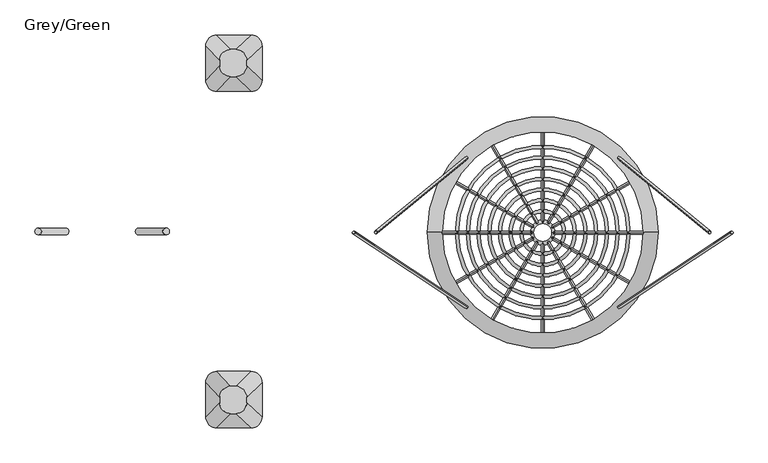
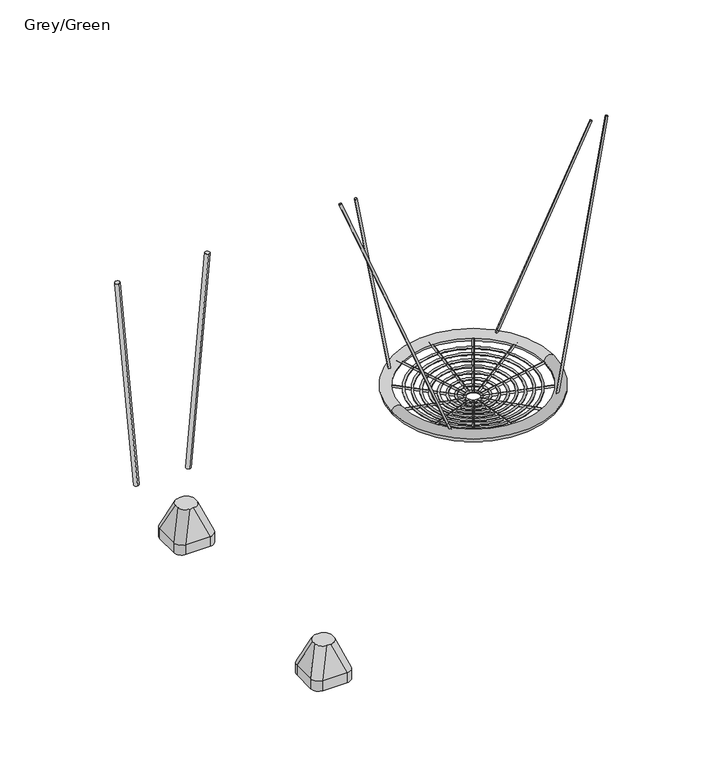
"""IFC4 building model written with IfcOpenShell, lengths in millimetres: furniture geometry, Grey/Green."""

from ifc_helpers import new_model, si_unit, point, frame, frame_2d, origin, place, context, project, spatial, circle_curve, ellipse_curve, trimmed, segment, composite_curve, outline, extrude, source, transform, mapped, element, save
from ifc_brep_helpers import plane_surface, cylinder_surface, revolved_surface, extruded_surface, advanced_brep


def grey_green_9095f52e(model_context):
    return source(origin(), model_context, "Body", "SolidModel", [
        advanced_brep(
        [(1275.0, -744.4374466, -604.0), (1455.0, -744.4374466, -604.0), (1515.0, -804.4374466, -604.0), (1515.0, -984.4374466, -604.0), (1455.0, -1044.4374466, -604.0), (1275.0, -1044.4374466, -604.0), (1215.0, -984.4374466, -604.0), (1215.0, -804.4374466, -604.0), (1275.0, -744.4374466, -526.0689494), (1455.0, -744.4374466, -526.0689494), (1515.0, -804.4374466, -526.0689494), (1515.0, -984.4374466, -526.0689494), (1455.0, -1044.4374466, -526.0689494), (1275.0, -1044.4374466, -526.0689494), (1215.0, -984.4374466, -526.0689494), (1215.0, -804.4374466, -526.0689494), (1373.9540451, -822.9885063, -316.0689494), (1348.9540451, -822.9885063, -316.0689494), (1288.9540451, -882.9885063, -316.0689494), (1288.9540451, -907.9885063, -316.0689494), (1348.9540451, -967.9885063, -316.0689494), (1373.9540451, -967.9885063, -316.0689494), (1433.9540451, -907.9885063, -316.0689494), (1433.9540451, -882.9885063, -316.0689494)],
        [
            (0, 1),
            (1, 2, circle_curve(frame((1455.0, -804.4374466, -604.0), z_axis=(0.0, 0.0, -1.0), x_axis=(-1.0, 0.0, 0.0)), 60.0)),
            (2, 3),
            (3, 4, circle_curve(frame((1455.0, -984.4374466, -604.0), z_axis=(0.0, 0.0, -1.0), x_axis=(-1.0, 0.0, 0.0)), 60.0)),
            (4, 5),
            (5, 6, circle_curve(frame((1275.0, -984.4374466, -604.0), z_axis=(0.0, 0.0, -1.0), x_axis=(-1.0, 0.0, 0.0)), 60.0)),
            (6, 7),
            (7, 0, circle_curve(frame((1275.0, -804.4374466, -604.0), z_axis=(0.0, 0.0, -1.0), x_axis=(-1.0, 0.0, 0.0)), 60.0)),
            (0, 8),
            (8, 9),
            (9, 1),
            (2, 10),
            (10, 11),
            (11, 3),
            (4, 12),
            (12, 13),
            (13, 5),
            (6, 14),
            (14, 15),
            (15, 7),
            (16, 17),
            (17, 18, circle_curve(frame((1348.9540451, -882.9885063, -316.0689494), z_axis=(0.0, 0.0, 1.0), x_axis=(-1.0, 0.0, 0.0)), 60.0)),
            (18, 19),
            (19, 20, circle_curve(frame((1348.9540451, -907.9885063, -316.0689494), z_axis=(0.0, 0.0, 1.0), x_axis=(-1.0, 0.0, 0.0)), 60.0)),
            (20, 21),
            (21, 22, circle_curve(frame((1373.9540451, -907.9885063, -316.0689494), z_axis=(0.0, 0.0, 1.0), x_axis=(-1.0, 0.0, 0.0)), 60.0)),
            (22, 23),
            (23, 16, circle_curve(frame((1373.9540451, -882.9885063, -316.0689494), z_axis=(0.0, 0.0, 1.0), x_axis=(-1.0, 0.0, 0.0)), 60.0)),
            (22, 11),
            (10, 23),
            (20, 13),
            (12, 21),
            (18, 15),
            (14, 19),
            (16, 9),
            (8, 17),
            (9, 10, circle_curve(frame((1455.0, -804.4374466, -526.0689494), z_axis=(0.0, 0.0, -1.0), x_axis=(-1.0, 0.0, 0.0)), 60.0)),
            (11, 12, circle_curve(frame((1455.0, -984.4374466, -526.0689494), z_axis=(0.0, 0.0, -1.0), x_axis=(-1.0, 0.0, 0.0)), 60.0)),
            (13, 14, circle_curve(frame((1275.0, -984.4374466, -526.0689494), z_axis=(0.0, 0.0, -1.0), x_axis=(-1.0, 0.0, 0.0)), 60.0)),
            (15, 8, circle_curve(frame((1275.0, -804.4374466, -526.0689494), z_axis=(0.0, 0.0, -1.0), x_axis=(-1.0, 0.0, 0.0)), 60.0)),
        ],
        [
            plane_surface(frame((1541.6329682, -744.4374466, -604.0), z_axis=(0.0, 0.0, -1.0), x_axis=(-1.0, 0.0, 0.0))),
            plane_surface(frame((1275.0, -744.4374466, -526.0689494), z_axis=(0.0, 1.0, 0.0), x_axis=(0.0, 0.0, -1.0))),
            plane_surface(frame((1515.0, -804.4374466, -526.0689494), z_axis=(1.0, 0.0, 0.0), x_axis=(0.0, 0.0, -1.0))),
            plane_surface(frame((1455.0, -1044.4374466, -526.0689494), z_axis=(0.0, -1.0, 0.0), x_axis=(0.0, 0.0, -1.0))),
            plane_surface(frame((1215.0, -984.4374466, -526.0689494), z_axis=(-1.0, 0.0, 0.0), x_axis=(0.0, 0.0, -1.0))),
            plane_surface(frame((1361.4540451, -895.4885063, -316.0689494), z_axis=(0.0, 0.0, 1.0), x_axis=(1.0, 0.0, 0.0))),
            plane_surface(frame((1515.0, -894.4374466, -526.0689494), z_axis=(0.9329330935587706, 0.0, 0.36004977842357055), x_axis=(0.0, -1.0, 0.0))),
            plane_surface(frame((1365.0, -1044.4374466, -526.0689494), z_axis=(0.0, -0.9396707723277333, 0.34208016550656856), x_axis=(-1.0, 0.0, 0.0))),
            plane_surface(frame((1215.0, -894.4374466, -526.0689494), z_axis=(-0.9432207285248213, 0.0, 0.33216661072586046), x_axis=(0.0, 1.0, 0.0))),
            plane_surface(frame((1365.0, -744.4374466, -526.0689494), z_axis=(0.0, 0.9366205672401335, 0.35034541958297477), x_axis=(1.0, 0.0, 0.0))),
            cylinder_surface(frame((1455.0, -804.4374466, -604.0), z_axis=(0.0, 0.0, 1.0), x_axis=(-1.0, 0.0, 0.0)), 60.0),
            cylinder_surface(frame((1455.0, -984.4374466, -604.0), z_axis=(0.0, 0.0, 1.0), x_axis=(-1.0, 0.0, 0.0)), 60.0),
            cylinder_surface(frame((1275.0, -984.4374466, -604.0), z_axis=(0.0, 0.0, 1.0), x_axis=(-1.0, 0.0, 0.0)), 60.0),
            cylinder_surface(frame((1275.0, -804.4374466, -604.0), z_axis=(0.0, 0.0, 1.0), x_axis=(-1.0, 0.0, 0.0)), 60.0),
            extruded_surface(trimmed(circle_curve(frame((1373.9540451, -882.9885063, -316.0689494), z_axis=(0.0, 0.0, -1.0), x_axis=(-1.0, 0.0, 0.0)), 60.0), [point((1373.9540451, -822.9885063, -316.0689494))], [point((1433.9540451, -882.9885063, -316.0689494))], True, "CARTESIAN"), (81.04595489999997, 78.5510597, -209.99999999999994), 238.40871583406042),
            extruded_surface(trimmed(circle_curve(frame((1348.9540451, -882.9885063, -316.0689494), z_axis=(0.0, 0.0, -1.0), x_axis=(-1.0, 0.0, 0.0)), 60.0), [point((1288.9540451, -882.9885063, -316.0689494))], [point((1348.9540451, -822.9885063, -316.0689494))], True, "CARTESIAN"), (-73.95404510000003, 78.5510597, -209.99999999999994), 236.0920790002193),
            extruded_surface(trimmed(circle_curve(frame((1373.9540451, -907.9885063, -316.0689494), z_axis=(0.0, 0.0, -1.0), x_axis=(-1.0, 0.0, 0.0)), 60.0), [point((1433.9540451, -907.9885063, -316.0689494))], [point((1373.9540451, -967.9885063, -316.0689494))], True, "CARTESIAN"), (81.04595489999997, -76.4489403, -209.99999999999994), 237.72439352882105),
            extruded_surface(trimmed(circle_curve(frame((1348.9540451, -907.9885063, -316.0689494), z_axis=(0.0, 0.0, -1.0), x_axis=(-1.0, 0.0, 0.0)), 60.0), [point((1348.9540451, -967.9885063, -316.0689494))], [point((1288.9540451, -907.9885063, -316.0689494))], True, "CARTESIAN"), (-73.95404510000003, -76.4489403, -209.99999999999994), 235.4010222145303),
        ],
        [
            (0, [[1, 2, 3, 4, 5, 6, 7, 8]]),
            (1, [[9, 10, 11, -1]]),
            (2, [[12, 13, 14, -3]]),
            (3, [[15, 16, 17, -5]]),
            (4, [[18, 19, 20, -7]]),
            (5, [[21, 22, 23, 24, 25, 26, 27, 28]]),
            (6, [[29, -13, 30, -27]]),
            (7, [[31, -16, 32, -25]]),
            (8, [[33, -19, 34, -23]]),
            (9, [[35, -10, 36, -21]]),
            (10, [[-11, 37, -12, -2]]),
            (11, [[-14, 38, -15, -4]]),
            (12, [[-17, 39, -18, -6]]),
            (13, [[-20, 40, -9, -8]]),
            (14, [[-30, -37, -35, -28]]),
            (15, [[-36, -40, -33, -22]]),
            (16, [[-32, -38, -29, -26]]),
            (17, [[-34, -39, -31, -24]]),
        ],
    ),
        extrude(outline(composite_curve([segment(trimmed(circle_curve(frame_2d((0.0, -8.0)), 8.0), [point((0.0, -16.0000001))], [point((0.0, 0.0))], False, "CARTESIAN"), True, "CONTINUOUS"), segment(trimmed(circle_curve(frame_2d((0.0, -8.0)), 8.0), [point((0.0, 0.0))], [point((0.0, -16.0000001))], False, "CARTESIAN"), True, "CONTINUOUS")], self_intersect=False)), frame((3414.7422445, 394.1498449, 611.5111416), z_axis=(0.2584020941085009, -0.211804995170902, 0.9425322285105141), x_axis=(-0.05600141735473467, -0.9773119481622305, -0.20426746494145032)), (0.0, 0.0, 1.0), 1883.5295867),
        extrude(outline(composite_curve([segment(trimmed(circle_curve(frame_2d((0.0, -8.0)), 8.0), [point((0.0, -16.0000001))], [point((0.0, 0.0))], False, "CARTESIAN"), True, "CONTINUOUS"), segment(trimmed(circle_curve(frame_2d((0.0, -8.0)), 8.0), [point((0.0, 0.0))], [point((0.0, -16.0000001))], False, "CARTESIAN"), True, "CONTINUOUS")], self_intersect=False)), frame((3414.6090341, -405.7062822, 611.049837), z_axis=(0.3152303539748724, 0.2080728409075072, 0.9259241420384049), x_axis=(0.06705856372205599, -0.9781133333498113, 0.19697069872155026)), (0.0, 0.0, 1.0), 1917.4037037),
        extrude(outline(composite_curve([segment(trimmed(circle_curve(frame_2d((0.0, -8.0)), 8.0), [point((0.0, -16.0000001))], [point((0.0, 0.0))], False, "CARTESIAN"), True, "CONTINUOUS"), segment(trimmed(circle_curve(frame_2d((0.0, -8.0)), 8.0), [point((0.0, 0.0))], [point((0.0, -16.0000001))], False, "CARTESIAN"), True, "CONTINUOUS")], self_intersect=False)), frame((2599.2577555, 394.1498449, 611.5111416), z_axis=(-0.25840209410850096, -0.21180499517090198, 0.942532228510514), x_axis=(-0.05600141735473466, 0.9773119481622304, 0.20426746494145032)), (0.0, 0.0, 1.0), 1883.5295867),
        extrude(outline(composite_curve([segment(trimmed(circle_curve(frame_2d((0.0, -8.0)), 8.0), [point((0.0, -16.0000001))], [point((0.0, 0.0))], False, "CARTESIAN"), True, "CONTINUOUS"), segment(trimmed(circle_curve(frame_2d((0.0, -8.0)), 8.0), [point((0.0, 0.0))], [point((0.0, -16.0000001))], False, "CARTESIAN"), True, "CONTINUOUS")], self_intersect=False)), frame((2599.3909659, -405.7062822, 611.049837), z_axis=(-0.3152303539748724, 0.20807284090750716, 0.9259241420384049), x_axis=(0.06705856372205597, 0.9781133333498113, -0.19697069872155024)), (0.0, 0.0, 1.0), 1917.4037037),
        advanced_brep(
        [(3542.0, -5.7567737, 593.5648611), (2472.0, -5.7567737, 593.5648611), (2392.0, -5.7567737, 593.5648611), (3622.0, -5.7567737, 593.5648611)],
        [
            (0, 1, circle_curve(frame((3007.0, -5.7567737, 593.5648611), z_axis=(0.0, 0.0, -1.0), x_axis=(-1.0, 0.0, 0.0)), 535.0)),
            (1, 2, circle_curve(frame((2432.0, -5.7567737, 593.5648611), z_axis=(0.0, -1.0, 0.0), x_axis=(1.0, 0.0, 0.0)), 40.0)),
            (2, 3, circle_curve(frame((3007.0, -5.7567737, 593.5648611), z_axis=(0.0, 0.0, 1.0), x_axis=(-1.0, 0.0, 0.0)), 615.0)),
            (3, 0, circle_curve(frame((3582.0, -5.7567737, 593.5648611), z_axis=(0.0, -1.0, 0.0), x_axis=(-1.0, 0.0, 0.0)), 40.0)),
            (2, 1, circle_curve(frame((2432.0, -5.7567737, 593.5648611), z_axis=(0.0, -1.0, 0.0), x_axis=(1.0, 0.0, 0.0)), 40.0)),
            (0, 3, circle_curve(frame((3582.0, -5.7567737, 593.5648611), z_axis=(0.0, -1.0, 0.0), x_axis=(-1.0, 0.0, 0.0)), 40.0)),
            (1, 0, circle_curve(frame((3007.0, -5.7567737, 593.5648611), z_axis=(0.0, 0.0, -1.0), x_axis=(1.0, 0.0, 0.0)), 535.0)),
            (3, 2, circle_curve(frame((3007.0, -5.7567737, 593.5648611), z_axis=(0.0, 0.0, 1.0), x_axis=(1.0, 0.0, 0.0)), 615.0)),
        ],
        [
            revolved_surface(trimmed(ellipse_curve(frame((2432.0, -5.7567737, 593.5648611), z_axis=(0.0, 1.0, 0.0), x_axis=(1.0, 0.0, 0.0)), 40.0, 40.0), [point((2392.0, -5.7567737, 593.5648611))], [point((2472.0, -5.7567737, 593.5648611))], True, "CARTESIAN"), (3007.0, -5.7567737, 1.0), (0.0, 0.0, 1.0)),
            revolved_surface(trimmed(ellipse_curve(frame((2432.0, -5.7567737, 593.5648611), z_axis=(0.0, 1.0, 0.0), x_axis=(1.0, 0.0, 0.0)), 40.0, 40.0), [point((2472.0, -5.7567737, 593.5648611))], [point((2392.0, -5.7567737, 593.5648611))], True, "CARTESIAN"), (3007.0, -5.7567737, 1.0), (0.0, 0.0, 1.0)),
            revolved_surface(trimmed(ellipse_curve(frame((3582.0, -5.7567737, 593.5648611), z_axis=(0.0, -1.0, 0.0), x_axis=(-1.0, 0.0, 0.0)), 40.0, 40.0), [point((3622.0, -5.7567737, 593.5648611))], [point((3542.0, -5.7567737, 593.5648611))], True, "CARTESIAN"), (3007.0, -5.7567737, 1.0), (0.0, 0.0, 1.0)),
            revolved_surface(trimmed(ellipse_curve(frame((3582.0, -5.7567737, 593.5648611), z_axis=(0.0, -1.0, 0.0), x_axis=(-1.0, 0.0, 0.0)), 40.0, 40.0), [point((3542.0, -5.7567737, 593.5648611))], [point((3622.0, -5.7567737, 593.5648611))], True, "CARTESIAN"), (3007.0, -5.7567737, 1.0), (0.0, 0.0, 1.0)),
        ],
        [
            (0, [[1, 2, 3, 4]]),
            (1, [[-3, 5, -1, 6]]),
            (2, [[7, -4, 8, -2]]),
            (3, [[-8, -6, -7, -5]]),
        ],
    ),
        extrude(outline(composite_curve([segment(trimmed(circle_curve(frame_2d((0.0, -8.0000001)), 8.0), [point((0.0, -16.0))], [point((0.0, 0.0))], False, "CARTESIAN"), True, "CONTINUOUS"), segment(trimmed(circle_curve(frame_2d((0.0, -8.0000001)), 8.0), [point((0.0, 0.0))], [point((0.0, -16.0))], False, "CARTESIAN"), True, "CONTINUOUS")], self_intersect=False)), frame((2958.6945278, -33.6501141, 511.3143934), z_axis=(-0.8532184077808869, -0.4926058774098319, 0.17134117475124827), x_axis=(0.49999999999999467, -0.8660254037844417, 0.0)), (0.0, 0.0, 1.0), 525.6770169),
        extrude(outline(composite_curve([segment(trimmed(circle_curve(frame_2d((0.0, -8.0000001)), 8.0), [point((0.0, -16.0))], [point((0.0, 0.0))], False, "CARTESIAN"), True, "CONTINUOUS"), segment(trimmed(circle_curve(frame_2d((0.0, -8.0000001)), 8.0), [point((0.0, 0.0))], [point((0.0, -16.0))], False, "CARTESIAN"), True, "CONTINUOUS")], self_intersect=False)), frame((3055.2360089, 22.088136, 511.4528529), z_axis=(0.8532184077808838, 0.4926058774098376, 0.17134117475124827), x_axis=(-0.5000000000000003, 0.8660254037844385, 0.0)), (0.0, 0.0, 1.0), 525.6770169),
        extrude(outline(composite_curve([segment(trimmed(circle_curve(frame_2d((0.0, -8.0000001)), 8.0), [point((0.0, -16.0))], [point((0.0, 0.0))], False, "CARTESIAN"), True, "CONTINUOUS"), segment(trimmed(circle_curve(frame_2d((0.0, -8.0000001)), 8.0), [point((0.0, 0.0))], [point((0.0, -16.0))], False, "CARTESIAN"), True, "CONTINUOUS")], self_intersect=False)), frame((2979.0961433, -54.0517296, 511.3143934), z_axis=(-0.492605877409843, -0.8532184077808806, 0.1713411747512483), x_axis=(0.8660254037844353, -0.5000000000000059, 0.0)), (0.0, 0.0, 1.0), 525.6770169),
        extrude(outline(composite_curve([segment(trimmed(circle_curve(frame_2d((0.0, -8.0000001)), 8.0), [point((0.0, -16.0))], [point((0.0, 0.0))], False, "CARTESIAN"), True, "CONTINUOUS"), segment(trimmed(circle_curve(frame_2d((0.0, -8.0000001)), 8.0), [point((0.0, 0.0))], [point((0.0, -16.0))], False, "CARTESIAN"), True, "CONTINUOUS")], self_intersect=False)), frame((3034.8343934, 42.4897515, 511.4528529), z_axis=(0.4926058774098375, 0.8532184077808838, 0.1713411747512483), x_axis=(-0.8660254037844385, 0.5000000000000003, 0.0)), (0.0, 0.0, 1.0), 525.6770169),
        extrude(outline(composite_curve([segment(trimmed(circle_curve(frame_2d((0.0, -8.0000001)), 8.0), [point((0.0, -16.0))], [point((0.0, 0.0))], False, "CARTESIAN"), True, "CONTINUOUS"), segment(trimmed(circle_curve(frame_2d((0.0, -8.0000001)), 8.0), [point((0.0, 0.0))], [point((0.0, -16.0))], False, "CARTESIAN"), True, "CONTINUOUS")], self_intersect=False)), frame((2979.0961433, 42.4897515, 511.3143934), z_axis=(-0.49260587740982914, 0.8532184077808888, 0.17134117475124835), x_axis=(-0.8660254037844434, -0.49999999999999173, 0.0)), (0.0, 0.0, 1.0), 525.6770169),
        extrude(outline(composite_curve([segment(trimmed(circle_curve(frame_2d((0.0, -8.0000001)), 8.0), [point((0.0, -16.0))], [point((0.0, 0.0))], False, "CARTESIAN"), True, "CONTINUOUS"), segment(trimmed(circle_curve(frame_2d((0.0, -8.0000001)), 8.0), [point((0.0, 0.0))], [point((0.0, -16.0))], False, "CARTESIAN"), True, "CONTINUOUS")], self_intersect=False)), frame((3034.8343934, -54.0517296, 511.4528529), z_axis=(0.49260587740983475, -0.8532184077808853, 0.17134117475124838), x_axis=(0.8660254037844402, 0.4999999999999975, 0.0)), (0.0, 0.0, 1.0), 525.6770169),
        extrude(outline(composite_curve([segment(trimmed(circle_curve(frame_2d((0.0, -8.0000001)), 8.0), [point((0.0, -16.0))], [point((0.0, 0.0))], False, "CARTESIAN"), True, "CONTINUOUS"), segment(trimmed(circle_curve(frame_2d((0.0, -8.0000001)), 8.0), [point((0.0, 0.0))], [point((0.0, -16.0))], False, "CARTESIAN"), True, "CONTINUOUS")], self_intersect=False)), frame((2958.6945278, 22.088136, 511.3143934), z_axis=(-0.8532184077808784, 0.4926058774098467, 0.17134117475124833), x_axis=(-0.5000000000000097, -0.8660254037844332, 0.0)), (0.0, 0.0, 1.0), 525.6770169),
        extrude(outline(composite_curve([segment(trimmed(circle_curve(frame_2d((0.0, -8.0000001)), 8.0), [point((0.0, -16.0))], [point((0.0, 0.0))], False, "CARTESIAN"), True, "CONTINUOUS"), segment(trimmed(circle_curve(frame_2d((0.0, -8.0000001)), 8.0), [point((0.0, 0.0))], [point((0.0, -16.0))], False, "CARTESIAN"), True, "CONTINUOUS")], self_intersect=False)), frame((3055.2360089, -33.6501141, 511.4528529), z_axis=(0.8532184077808816, -0.49260587740984113, 0.17134117475124833), x_axis=(0.500000000000004, 0.8660254037844364, 0.0)), (0.0, 0.0, 1.0), 525.6770169),
        extrude(outline(composite_curve([segment(trimmed(circle_curve(frame_2d((0.0, -8.0000001)), 8.0), [point((0.0, -16.0))], [point((0.0, 0.0))], False, "CARTESIAN"), True, "CONTINUOUS"), segment(trimmed(circle_curve(frame_2d((0.0, -8.0000001)), 8.0), [point((0.0, 0.0))], [point((0.0, -16.0))], False, "CARTESIAN"), True, "CONTINUOUS")], self_intersect=False)), frame((2951.2270182, -5.7809891, 511.3143934), z_axis=(-0.9852117548196744, 0.0, 0.1713411747512483), x_axis=(0.0, -1.0, 0.0)), (0.0, 0.0, 1.0), 525.6770169),
        extrude(outline(composite_curve([segment(trimmed(circle_curve(frame_2d((0.0, -8.0000001)), 8.0), [point((0.0, -16.0))], [point((0.0, 0.0))], False, "CARTESIAN"), True, "CONTINUOUS"), segment(trimmed(circle_curve(frame_2d((0.0, -8.0000001)), 8.0), [point((0.0, 0.0))], [point((0.0, -16.0))], False, "CARTESIAN"), True, "CONTINUOUS")], self_intersect=False)), frame((3062.7035184, -5.7809891, 511.4528529), z_axis=(0.9852117548196744, 0.0, 0.1713411747512483), x_axis=(0.0, 1.0, 0.0)), (0.0, 0.0, 1.0), 525.6770169),
        extrude(outline(composite_curve([segment(trimmed(circle_curve(frame_2d((0.0, -8.0000001)), 8.0), [point((0.0, -16.0))], [point((0.0, 0.0))], False, "CARTESIAN"), True, "CONTINUOUS"), segment(trimmed(circle_curve(frame_2d((0.0, -8.0000001)), 8.0), [point((0.0, 0.0))], [point((0.0, -16.0))], False, "CARTESIAN"), True, "CONTINUOUS")], self_intersect=False)), frame((3006.9652683, -61.5192392, 511.3143934), z_axis=(0.0, -0.9852117548196744, 0.17134117475124827), x_axis=(1.0, 0.0, 0.0)), (0.0, 0.0, 1.0), 525.6770169),
        extrude(outline(composite_curve([segment(trimmed(circle_curve(frame_2d((0.0, -8.0000001)), 8.0), [point((0.0, -16.0))], [point((0.0, 0.0))], False, "CARTESIAN"), True, "CONTINUOUS"), segment(trimmed(circle_curve(frame_2d((0.0, -8.0000001)), 8.0), [point((0.0, 0.0))], [point((0.0, -16.0))], False, "CARTESIAN"), True, "CONTINUOUS")], self_intersect=False)), frame((3006.9652683, 49.957261, 511.4528529), z_axis=(0.0, 0.9852117548196744, 0.1713411747512483), x_axis=(-1.0, 0.0, 0.0)), (0.0, 0.0, 1.0), 525.6770169),
        advanced_brep(
        [(3455.7364652, -5.7567737, 573.090214), (2558.2635348, -5.7567737, 573.090214), (2542.2635348, -5.7567737, 573.090214), (3471.7364652, -5.7567737, 573.090214)],
        [
            (0, 1, circle_curve(frame((3007.0, -5.7567737, 573.090214), z_axis=(0.0, 0.0, -1.0), x_axis=(-1.0, 0.0, 0.0)), 448.7364652)),
            (1, 2, circle_curve(frame((2550.2635348, -5.7567737, 573.090214), z_axis=(0.0, -1.0, 0.0), x_axis=(1.0, 0.0, 0.0)), 8.0)),
            (2, 3, circle_curve(frame((3007.0, -5.7567737, 573.090214), z_axis=(0.0, 0.0, 1.0), x_axis=(-1.0, 0.0, 0.0)), 464.7364652)),
            (3, 0, circle_curve(frame((3463.7364652, -5.7567737, 573.090214), z_axis=(0.0, -1.0, 0.0), x_axis=(-1.0, 0.0, 0.0)), 8.0)),
            (2, 1, circle_curve(frame((2550.2635348, -5.7567737, 573.090214), z_axis=(0.0, -1.0, 0.0), x_axis=(1.0, 0.0, 0.0)), 8.0)),
            (0, 3, circle_curve(frame((3463.7364652, -5.7567737, 573.090214), z_axis=(0.0, -1.0, 0.0), x_axis=(-1.0, 0.0, 0.0)), 8.0)),
            (1, 0, circle_curve(frame((3007.0, -5.7567737, 573.090214), z_axis=(0.0, 0.0, -1.0), x_axis=(1.0, 0.0, 0.0)), 448.7364652)),
            (3, 2, circle_curve(frame((3007.0, -5.7567737, 573.090214), z_axis=(0.0, 0.0, 1.0), x_axis=(1.0, 0.0, 0.0)), 464.7364652)),
        ],
        [
            revolved_surface(trimmed(ellipse_curve(frame((2550.2635348, -5.7567737, 573.090214), z_axis=(0.0, 1.0, 0.0), x_axis=(1.0, 0.0, 0.0)), 8.0, 8.0), [point((2542.2635348, -5.7567737, 573.090214))], [point((2558.2635348, -5.7567737, 573.090214))], True, "CARTESIAN"), (3007.0, -5.7567737, 1.0), (0.0, 0.0, 1.0)),
            revolved_surface(trimmed(ellipse_curve(frame((2550.2635348, -5.7567737, 573.090214), z_axis=(0.0, 1.0, 0.0), x_axis=(1.0, 0.0, 0.0)), 8.0, 8.0), [point((2558.2635348, -5.7567737, 573.090214))], [point((2542.2635348, -5.7567737, 573.090214))], True, "CARTESIAN"), (3007.0, -5.7567737, 1.0), (0.0, 0.0, 1.0)),
            revolved_surface(trimmed(ellipse_curve(frame((3463.7364652, -5.7567737, 573.090214), z_axis=(0.0, -1.0, 0.0), x_axis=(-1.0, 0.0, 0.0)), 8.0, 8.0), [point((3471.7364652, -5.7567737, 573.090214))], [point((3455.7364652, -5.7567737, 573.090214))], True, "CARTESIAN"), (3007.0, -5.7567737, 1.0), (0.0, 0.0, 1.0)),
            revolved_surface(trimmed(ellipse_curve(frame((3463.7364652, -5.7567737, 573.090214), z_axis=(0.0, -1.0, 0.0), x_axis=(-1.0, 0.0, 0.0)), 8.0, 8.0), [point((3455.7364652, -5.7567737, 573.090214))], [point((3471.7364652, -5.7567737, 573.090214))], True, "CARTESIAN"), (3007.0, -5.7567737, 1.0), (0.0, 0.0, 1.0)),
        ],
        [
            (0, [[1, 2, 3, 4]]),
            (1, [[-3, 5, -1, 6]]),
            (2, [[7, -4, 8, -2]]),
            (3, [[-8, -6, -7, -5]]),
        ],
    ),
        advanced_brep(
        [(3398.6928848, -5.7567737, 563.0714642), (2615.3071152, -5.7567737, 563.0714642), (2599.3071152, -5.7567737, 563.0714642), (3414.6928848, -5.7567737, 563.0714642)],
        [
            (0, 1, circle_curve(frame((3007.0, -5.7567737, 563.0714642), z_axis=(0.0, 0.0, -1.0), x_axis=(-1.0, 0.0, 0.0)), 391.6928848)),
            (1, 2, circle_curve(frame((2607.3071152, -5.7567737, 563.0714642), z_axis=(0.0, -1.0, 0.0), x_axis=(1.0, 0.0, 0.0)), 8.0)),
            (2, 3, circle_curve(frame((3007.0, -5.7567737, 563.0714642), z_axis=(0.0, 0.0, 1.0), x_axis=(-1.0, 0.0, 0.0)), 407.6928848)),
            (3, 0, circle_curve(frame((3406.6928848, -5.7567737, 563.0714642), z_axis=(0.0, -1.0, 0.0), x_axis=(-1.0, 0.0, 0.0)), 8.0)),
            (2, 1, circle_curve(frame((2607.3071152, -5.7567737, 563.0714642), z_axis=(0.0, -1.0, 0.0), x_axis=(1.0, 0.0, 0.0)), 8.0)),
            (0, 3, circle_curve(frame((3406.6928848, -5.7567737, 563.0714642), z_axis=(0.0, -1.0, 0.0), x_axis=(-1.0, 0.0, 0.0)), 8.0)),
            (1, 0, circle_curve(frame((3007.0, -5.7567737, 563.0714642), z_axis=(0.0, 0.0, -1.0), x_axis=(1.0, 0.0, 0.0)), 391.6928848)),
            (3, 2, circle_curve(frame((3007.0, -5.7567737, 563.0714642), z_axis=(0.0, 0.0, 1.0), x_axis=(1.0, 0.0, 0.0)), 407.6928848)),
        ],
        [
            revolved_surface(trimmed(ellipse_curve(frame((2607.3071152, -5.7567737, 563.0714642), z_axis=(0.0, 1.0, 0.0), x_axis=(1.0, 0.0, 0.0)), 8.0, 8.0), [point((2599.3071152, -5.7567737, 563.0714642))], [point((2615.3071152, -5.7567737, 563.0714642))], True, "CARTESIAN"), (3007.0, -5.7567737, 1.0), (0.0, 0.0, 1.0)),
            revolved_surface(trimmed(ellipse_curve(frame((2607.3071152, -5.7567737, 563.0714642), z_axis=(0.0, 1.0, 0.0), x_axis=(1.0, 0.0, 0.0)), 8.0, 8.0), [point((2615.3071152, -5.7567737, 563.0714642))], [point((2599.3071152, -5.7567737, 563.0714642))], True, "CARTESIAN"), (3007.0, -5.7567737, 1.0), (0.0, 0.0, 1.0)),
            revolved_surface(trimmed(ellipse_curve(frame((3406.6928848, -5.7567737, 563.0714642), z_axis=(0.0, -1.0, 0.0), x_axis=(-1.0, 0.0, 0.0)), 8.0, 8.0), [point((3414.6928848, -5.7567737, 563.0714642))], [point((3398.6928848, -5.7567737, 563.0714642))], True, "CARTESIAN"), (3007.0, -5.7567737, 1.0), (0.0, 0.0, 1.0)),
            revolved_surface(trimmed(ellipse_curve(frame((3406.6928848, -5.7567737, 563.0714642), z_axis=(0.0, -1.0, 0.0), x_axis=(-1.0, 0.0, 0.0)), 8.0, 8.0), [point((3398.6928848, -5.7567737, 563.0714642))], [point((3414.6928848, -5.7567737, 563.0714642))], True, "CARTESIAN"), (3007.0, -5.7567737, 1.0), (0.0, 0.0, 1.0)),
        ],
        [
            (0, [[1, 2, 3, 4]]),
            (1, [[-3, 5, -1, 6]]),
            (2, [[7, -4, 8, -2]]),
            (3, [[-8, -6, -7, -5]]),
        ],
    ),
        advanced_brep(
        [(3341.6014773, -5.7567737, 553.2139496), (2672.3985227, -5.7567737, 553.2139496), (2656.3985227, -5.7567737, 553.2139496), (3357.6014773, -5.7567737, 553.2139496)],
        [
            (0, 1, circle_curve(frame((3007.0, -5.7567737, 553.2139496), z_axis=(0.0, 0.0, -1.0), x_axis=(-1.0, 0.0, 0.0)), 334.6014773)),
            (1, 2, circle_curve(frame((2664.3985227, -5.7567737, 553.2139496), z_axis=(0.0, -1.0, 0.0), x_axis=(1.0, 0.0, 0.0)), 8.0)),
            (2, 3, circle_curve(frame((3007.0, -5.7567737, 553.2139496), z_axis=(0.0, 0.0, 1.0), x_axis=(-1.0, 0.0, 0.0)), 350.6014773)),
            (3, 0, circle_curve(frame((3349.6014773, -5.7567737, 553.2139496), z_axis=(0.0, -1.0, 0.0), x_axis=(-1.0, 0.0, 0.0)), 8.0)),
            (2, 1, circle_curve(frame((2664.3985227, -5.7567737, 553.2139496), z_axis=(0.0, -1.0, 0.0), x_axis=(1.0, 0.0, 0.0)), 8.0)),
            (0, 3, circle_curve(frame((3349.6014773, -5.7567737, 553.2139496), z_axis=(0.0, -1.0, 0.0), x_axis=(-1.0, 0.0, 0.0)), 8.0)),
            (1, 0, circle_curve(frame((3007.0, -5.7567737, 553.2139496), z_axis=(0.0, 0.0, -1.0), x_axis=(1.0, 0.0, 0.0)), 334.6014773)),
            (3, 2, circle_curve(frame((3007.0, -5.7567737, 553.2139496), z_axis=(0.0, 0.0, 1.0), x_axis=(1.0, 0.0, 0.0)), 350.6014773)),
        ],
        [
            revolved_surface(trimmed(ellipse_curve(frame((2664.3985227, -5.7567737, 553.2139496), z_axis=(0.0, 1.0, 0.0), x_axis=(1.0, 0.0, 0.0)), 8.0, 8.0), [point((2656.3985227, -5.7567737, 553.2139496))], [point((2672.3985227, -5.7567737, 553.2139496))], True, "CARTESIAN"), (3007.0, -5.7567737, 1.0), (0.0, 0.0, 1.0)),
            revolved_surface(trimmed(ellipse_curve(frame((2664.3985227, -5.7567737, 553.2139496), z_axis=(0.0, 1.0, 0.0), x_axis=(1.0, 0.0, 0.0)), 8.0, 8.0), [point((2672.3985227, -5.7567737, 553.2139496))], [point((2656.3985227, -5.7567737, 553.2139496))], True, "CARTESIAN"), (3007.0, -5.7567737, 1.0), (0.0, 0.0, 1.0)),
            revolved_surface(trimmed(ellipse_curve(frame((3349.6014773, -5.7567737, 553.2139496), z_axis=(0.0, -1.0, 0.0), x_axis=(-1.0, 0.0, 0.0)), 8.0, 8.0), [point((3357.6014773, -5.7567737, 553.2139496))], [point((3341.6014773, -5.7567737, 553.2139496))], True, "CARTESIAN"), (3007.0, -5.7567737, 1.0), (0.0, 0.0, 1.0)),
            revolved_surface(trimmed(ellipse_curve(frame((3349.6014773, -5.7567737, 553.2139496), z_axis=(0.0, -1.0, 0.0), x_axis=(-1.0, 0.0, 0.0)), 8.0, 8.0), [point((3341.6014773, -5.7567737, 553.2139496))], [point((3357.6014773, -5.7567737, 553.2139496))], True, "CARTESIAN"), (3007.0, -5.7567737, 1.0), (0.0, 0.0, 1.0)),
        ],
        [
            (0, [[1, 2, 3, 4]]),
            (1, [[-3, 5, -1, 6]]),
            (2, [[7, -4, 8, -2]]),
            (3, [[-8, -6, -7, -5]]),
        ],
    ),
        advanced_brep(
        [(3284.4216223, -5.7567737, 543.2912884), (2729.5783777, -5.7567737, 543.2912884), (2713.5783777, -5.7567737, 543.2912884), (3300.4216223, -5.7567737, 543.2912884)],
        [
            (0, 1, circle_curve(frame((3007.0, -5.7567737, 543.2912884), z_axis=(0.0, 0.0, -1.0), x_axis=(-1.0, 0.0, 0.0)), 277.4216223)),
            (1, 2, circle_curve(frame((2721.5783777, -5.7567737, 543.2912884), z_axis=(0.0, -1.0, 0.0), x_axis=(1.0, 0.0, 0.0)), 8.0)),
            (2, 3, circle_curve(frame((3007.0, -5.7567737, 543.2912884), z_axis=(0.0, 0.0, 1.0), x_axis=(-1.0, 0.0, 0.0)), 293.4216223)),
            (3, 0, circle_curve(frame((3292.4216223, -5.7567737, 543.2912884), z_axis=(0.0, -1.0, 0.0), x_axis=(-1.0, 0.0, 0.0)), 8.0)),
            (2, 1, circle_curve(frame((2721.5783777, -5.7567737, 543.2912884), z_axis=(0.0, -1.0, 0.0), x_axis=(1.0, 0.0, 0.0)), 8.0)),
            (0, 3, circle_curve(frame((3292.4216223, -5.7567737, 543.2912884), z_axis=(0.0, -1.0, 0.0), x_axis=(-1.0, 0.0, 0.0)), 8.0)),
            (1, 0, circle_curve(frame((3007.0, -5.7567737, 543.2912884), z_axis=(0.0, 0.0, -1.0), x_axis=(1.0, 0.0, 0.0)), 277.4216223)),
            (3, 2, circle_curve(frame((3007.0, -5.7567737, 543.2912884), z_axis=(0.0, 0.0, 1.0), x_axis=(1.0, 0.0, 0.0)), 293.4216223)),
        ],
        [
            revolved_surface(trimmed(ellipse_curve(frame((2721.5783777, -5.7567737, 543.2912884), z_axis=(0.0, 1.0, 0.0), x_axis=(1.0, 0.0, 0.0)), 8.0, 8.0), [point((2713.5783777, -5.7567737, 543.2912884))], [point((2729.5783777, -5.7567737, 543.2912884))], True, "CARTESIAN"), (3007.0, -5.7567737, 1.0), (0.0, 0.0, 1.0)),
            revolved_surface(trimmed(ellipse_curve(frame((2721.5783777, -5.7567737, 543.2912884), z_axis=(0.0, 1.0, 0.0), x_axis=(1.0, 0.0, 0.0)), 8.0, 8.0), [point((2729.5783777, -5.7567737, 543.2912884))], [point((2713.5783777, -5.7567737, 543.2912884))], True, "CARTESIAN"), (3007.0, -5.7567737, 1.0), (0.0, 0.0, 1.0)),
            revolved_surface(trimmed(ellipse_curve(frame((3292.4216223, -5.7567737, 543.2912884), z_axis=(0.0, -1.0, 0.0), x_axis=(-1.0, 0.0, 0.0)), 8.0, 8.0), [point((3300.4216223, -5.7567737, 543.2912884))], [point((3284.4216223, -5.7567737, 543.2912884))], True, "CARTESIAN"), (3007.0, -5.7567737, 1.0), (0.0, 0.0, 1.0)),
            revolved_surface(trimmed(ellipse_curve(frame((3292.4216223, -5.7567737, 543.2912884), z_axis=(0.0, -1.0, 0.0), x_axis=(-1.0, 0.0, 0.0)), 8.0, 8.0), [point((3284.4216223, -5.7567737, 543.2912884))], [point((3300.4216223, -5.7567737, 543.2912884))], True, "CARTESIAN"), (3007.0, -5.7567737, 1.0), (0.0, 0.0, 1.0)),
        ],
        [
            (0, [[1, 2, 3, 4]]),
            (1, [[-3, 5, -1, 6]]),
            (2, [[7, -4, 8, -2]]),
            (3, [[-8, -6, -7, -5]]),
        ],
    ),
        advanced_brep(
        [(3227.4010994, -5.7567737, 533.3558342), (2786.5989006, -5.7567737, 533.3558342), (2770.5989006, -5.7567737, 533.3558342), (3243.4010994, -5.7567737, 533.3558342)],
        [
            (0, 1, circle_curve(frame((3007.0, -5.7567737, 533.3558342), z_axis=(0.0, 0.0, -1.0), x_axis=(-1.0, 0.0, 0.0)), 220.4010994)),
            (1, 2, circle_curve(frame((2778.5989006, -5.7567737, 533.3558342), z_axis=(0.0, -1.0, 0.0), x_axis=(1.0, 0.0, 0.0)), 8.0)),
            (2, 3, circle_curve(frame((3007.0, -5.7567737, 533.3558342), z_axis=(0.0, 0.0, 1.0), x_axis=(-1.0, 0.0, 0.0)), 236.4010994)),
            (3, 0, circle_curve(frame((3235.4010994, -5.7567737, 533.3558342), z_axis=(0.0, -1.0, 0.0), x_axis=(-1.0, 0.0, 0.0)), 8.0)),
            (2, 1, circle_curve(frame((2778.5989006, -5.7567737, 533.3558342), z_axis=(0.0, -1.0, 0.0), x_axis=(1.0, 0.0, 0.0)), 8.0)),
            (0, 3, circle_curve(frame((3235.4010994, -5.7567737, 533.3558342), z_axis=(0.0, -1.0, 0.0), x_axis=(-1.0, 0.0, 0.0)), 8.0)),
            (1, 0, circle_curve(frame((3007.0, -5.7567737, 533.3558342), z_axis=(0.0, 0.0, -1.0), x_axis=(1.0, 0.0, 0.0)), 220.4010994)),
            (3, 2, circle_curve(frame((3007.0, -5.7567737, 533.3558342), z_axis=(0.0, 0.0, 1.0), x_axis=(1.0, 0.0, 0.0)), 236.4010994)),
        ],
        [
            revolved_surface(trimmed(ellipse_curve(frame((2778.5989006, -5.7567737, 533.3558342), z_axis=(0.0, 1.0, 0.0), x_axis=(1.0, 0.0, 0.0)), 8.0, 8.0), [point((2770.5989006, -5.7567737, 533.3558342))], [point((2786.5989006, -5.7567737, 533.3558342))], True, "CARTESIAN"), (3007.0, -5.7567737, 1.0), (0.0, 0.0, 1.0)),
            revolved_surface(trimmed(ellipse_curve(frame((2778.5989006, -5.7567737, 533.3558342), z_axis=(0.0, 1.0, 0.0), x_axis=(1.0, 0.0, 0.0)), 8.0, 8.0), [point((2786.5989006, -5.7567737, 533.3558342))], [point((2770.5989006, -5.7567737, 533.3558342))], True, "CARTESIAN"), (3007.0, -5.7567737, 1.0), (0.0, 0.0, 1.0)),
            revolved_surface(trimmed(ellipse_curve(frame((3235.4010994, -5.7567737, 533.3558342), z_axis=(0.0, -1.0, 0.0), x_axis=(-1.0, 0.0, 0.0)), 8.0, 8.0), [point((3243.4010994, -5.7567737, 533.3558342))], [point((3227.4010994, -5.7567737, 533.3558342))], True, "CARTESIAN"), (3007.0, -5.7567737, 1.0), (0.0, 0.0, 1.0)),
            revolved_surface(trimmed(ellipse_curve(frame((3235.4010994, -5.7567737, 533.3558342), z_axis=(0.0, -1.0, 0.0), x_axis=(-1.0, 0.0, 0.0)), 8.0, 8.0), [point((3227.4010994, -5.7567737, 533.3558342))], [point((3243.4010994, -5.7567737, 533.3558342))], True, "CARTESIAN"), (3007.0, -5.7567737, 1.0), (0.0, 0.0, 1.0)),
        ],
        [
            (0, [[1, 2, 3, 4]]),
            (1, [[-3, 5, -1, 6]]),
            (2, [[7, -4, 8, -2]]),
            (3, [[-8, -6, -7, -5]]),
        ],
    ),
        advanced_brep(
        [(3170.3918023, -5.7567737, 523.3456297), (2843.6081977, -5.7567737, 523.3456297), (2827.6081977, -5.7567737, 523.3456297), (3186.3918023, -5.7567737, 523.3456297)],
        [
            (0, 1, circle_curve(frame((3007.0, -5.7567737, 523.3456297), z_axis=(0.0, 0.0, -1.0), x_axis=(-1.0, 0.0, 0.0)), 163.3918023)),
            (1, 2, circle_curve(frame((2835.6081977, -5.7567737, 523.3456297), z_axis=(0.0, -1.0, 0.0), x_axis=(1.0, 0.0, 0.0)), 8.0)),
            (2, 3, circle_curve(frame((3007.0, -5.7567737, 523.3456297), z_axis=(0.0, 0.0, 1.0), x_axis=(-1.0, 0.0, 0.0)), 179.3918023)),
            (3, 0, circle_curve(frame((3178.3918023, -5.7567737, 523.3456297), z_axis=(0.0, -1.0, 0.0), x_axis=(-1.0, 0.0, 0.0)), 8.0)),
            (2, 1, circle_curve(frame((2835.6081977, -5.7567737, 523.3456297), z_axis=(0.0, -1.0, 0.0), x_axis=(1.0, 0.0, 0.0)), 8.0)),
            (0, 3, circle_curve(frame((3178.3918023, -5.7567737, 523.3456297), z_axis=(0.0, -1.0, 0.0), x_axis=(-1.0, 0.0, 0.0)), 8.0)),
            (1, 0, circle_curve(frame((3007.0, -5.7567737, 523.3456297), z_axis=(0.0, 0.0, -1.0), x_axis=(1.0, 0.0, 0.0)), 163.3918023)),
            (3, 2, circle_curve(frame((3007.0, -5.7567737, 523.3456297), z_axis=(0.0, 0.0, 1.0), x_axis=(1.0, 0.0, 0.0)), 179.3918023)),
        ],
        [
            revolved_surface(trimmed(ellipse_curve(frame((2835.6081977, -5.7567737, 523.3456297), z_axis=(0.0, 1.0, 0.0), x_axis=(1.0, 0.0, 0.0)), 8.0, 8.0), [point((2827.6081977, -5.7567737, 523.3456297))], [point((2843.6081977, -5.7567737, 523.3456297))], True, "CARTESIAN"), (3007.0, -5.7567737, 1.0), (0.0, 0.0, 1.0)),
            revolved_surface(trimmed(ellipse_curve(frame((2835.6081977, -5.7567737, 523.3456297), z_axis=(0.0, 1.0, 0.0), x_axis=(1.0, 0.0, 0.0)), 8.0, 8.0), [point((2843.6081977, -5.7567737, 523.3456297))], [point((2827.6081977, -5.7567737, 523.3456297))], True, "CARTESIAN"), (3007.0, -5.7567737, 1.0), (0.0, 0.0, 1.0)),
            revolved_surface(trimmed(ellipse_curve(frame((3178.3918023, -5.7567737, 523.3456297), z_axis=(0.0, -1.0, 0.0), x_axis=(-1.0, 0.0, 0.0)), 8.0, 8.0), [point((3186.3918023, -5.7567737, 523.3456297))], [point((3170.3918023, -5.7567737, 523.3456297))], True, "CARTESIAN"), (3007.0, -5.7567737, 1.0), (0.0, 0.0, 1.0)),
            revolved_surface(trimmed(ellipse_curve(frame((3178.3918023, -5.7567737, 523.3456297), z_axis=(0.0, -1.0, 0.0), x_axis=(-1.0, 0.0, 0.0)), 8.0, 8.0), [point((3170.3918023, -5.7567737, 523.3456297))], [point((3186.3918023, -5.7567737, 523.3456297))], True, "CARTESIAN"), (3007.0, -5.7567737, 1.0), (0.0, 0.0, 1.0)),
        ],
        [
            (0, [[1, 2, 3, 4]]),
            (1, [[-3, 5, -1, 6]]),
            (2, [[7, -4, 8, -2]]),
            (3, [[-8, -6, -7, -5]]),
        ],
    ),
        advanced_brep(
        [(3113.2067904, -5.7567737, 513.4258509), (2900.7932096, -5.7567737, 513.4258509), (2884.7932096, -5.7567737, 513.4258509), (3129.2067904, -5.7567737, 513.4258509)],
        [
            (0, 1, circle_curve(frame((3007.0, -5.7567737, 513.4258509), z_axis=(0.0, 0.0, -1.0), x_axis=(-1.0, 0.0, 0.0)), 106.2067904)),
            (1, 2, circle_curve(frame((2892.7932096, -5.7567737, 513.4258509), z_axis=(0.0, -1.0, 0.0), x_axis=(1.0, 0.0, 0.0)), 8.0)),
            (2, 3, circle_curve(frame((3007.0, -5.7567737, 513.4258509), z_axis=(0.0, 0.0, 1.0), x_axis=(-1.0, 0.0, 0.0)), 122.2067904)),
            (3, 0, circle_curve(frame((3121.2067904, -5.7567737, 513.4258509), z_axis=(0.0, -1.0, 0.0), x_axis=(-1.0, 0.0, 0.0)), 8.0)),
            (2, 1, circle_curve(frame((2892.7932096, -5.7567737, 513.4258509), z_axis=(0.0, -1.0, 0.0), x_axis=(1.0, 0.0, 0.0)), 8.0)),
            (0, 3, circle_curve(frame((3121.2067904, -5.7567737, 513.4258509), z_axis=(0.0, -1.0, 0.0), x_axis=(-1.0, 0.0, 0.0)), 8.0)),
            (1, 0, circle_curve(frame((3007.0, -5.7567737, 513.4258509), z_axis=(0.0, 0.0, -1.0), x_axis=(1.0, 0.0, 0.0)), 106.2067904)),
            (3, 2, circle_curve(frame((3007.0, -5.7567737, 513.4258509), z_axis=(0.0, 0.0, 1.0), x_axis=(1.0, 0.0, 0.0)), 122.2067904)),
        ],
        [
            revolved_surface(trimmed(ellipse_curve(frame((2892.7932096, -5.7567737, 513.4258509), z_axis=(0.0, 1.0, 0.0), x_axis=(1.0, 0.0, 0.0)), 8.0, 8.0), [point((2884.7932096, -5.7567737, 513.4258509))], [point((2900.7932096, -5.7567737, 513.4258509))], True, "CARTESIAN"), (3007.0, -5.7567737, 1.0), (0.0, 0.0, 1.0)),
            revolved_surface(trimmed(ellipse_curve(frame((2892.7932096, -5.7567737, 513.4258509), z_axis=(0.0, 1.0, 0.0), x_axis=(1.0, 0.0, 0.0)), 8.0, 8.0), [point((2900.7932096, -5.7567737, 513.4258509))], [point((2884.7932096, -5.7567737, 513.4258509))], True, "CARTESIAN"), (3007.0, -5.7567737, 1.0), (0.0, 0.0, 1.0)),
            revolved_surface(trimmed(ellipse_curve(frame((3121.2067904, -5.7567737, 513.4258509), z_axis=(0.0, -1.0, 0.0), x_axis=(-1.0, 0.0, 0.0)), 8.0, 8.0), [point((3129.2067904, -5.7567737, 513.4258509))], [point((3113.2067904, -5.7567737, 513.4258509))], True, "CARTESIAN"), (3007.0, -5.7567737, 1.0), (0.0, 0.0, 1.0)),
            revolved_surface(trimmed(ellipse_curve(frame((3121.2067904, -5.7567737, 513.4258509), z_axis=(0.0, -1.0, 0.0), x_axis=(-1.0, 0.0, 0.0)), 8.0, 8.0), [point((3113.2067904, -5.7567737, 513.4258509))], [point((3129.2067904, -5.7567737, 513.4258509))], True, "CARTESIAN"), (3007.0, -5.7567737, 1.0), (0.0, 0.0, 1.0)),
        ],
        [
            (0, [[1, 2, 3, 4]]),
            (1, [[-3, 5, -1, 6]]),
            (2, [[7, -4, 8, -2]]),
            (3, [[-8, -6, -7, -5]]),
        ],
    ),
        advanced_brep(
        [(3056.094742, -5.7567737, 503.6501248), (2957.905258, -5.7567737, 503.6501248), (2941.905258, -5.7567737, 503.6501248), (3072.094742, -5.7567737, 503.6501248)],
        [
            (0, 1, circle_curve(frame((3007.0, -5.7567737, 503.6501248), z_axis=(0.0, 0.0, -1.0), x_axis=(-1.0, 0.0, 0.0)), 49.094742)),
            (1, 2, circle_curve(frame((2949.905258, -5.7567737, 503.6501248), z_axis=(0.0, -1.0, 0.0), x_axis=(1.0, 0.0, 0.0)), 8.0)),
            (2, 3, circle_curve(frame((3007.0, -5.7567737, 503.6501248), z_axis=(0.0, 0.0, 1.0), x_axis=(-1.0, 0.0, 0.0)), 65.094742)),
            (3, 0, circle_curve(frame((3064.094742, -5.7567737, 503.6501248), z_axis=(0.0, -1.0, 0.0), x_axis=(-1.0, 0.0, 0.0)), 8.0)),
            (2, 1, circle_curve(frame((2949.905258, -5.7567737, 503.6501248), z_axis=(0.0, -1.0, 0.0), x_axis=(1.0, 0.0, 0.0)), 8.0)),
            (0, 3, circle_curve(frame((3064.094742, -5.7567737, 503.6501248), z_axis=(0.0, -1.0, 0.0), x_axis=(-1.0, 0.0, 0.0)), 8.0)),
            (1, 0, circle_curve(frame((3007.0, -5.7567737, 503.6501248), z_axis=(0.0, 0.0, -1.0), x_axis=(1.0, 0.0, 0.0)), 49.094742)),
            (3, 2, circle_curve(frame((3007.0, -5.7567737, 503.6501248), z_axis=(0.0, 0.0, 1.0), x_axis=(1.0, 0.0, 0.0)), 65.094742)),
        ],
        [
            revolved_surface(trimmed(ellipse_curve(frame((2949.905258, -5.7567737, 503.6501248), z_axis=(0.0, 1.0, 0.0), x_axis=(1.0, 0.0, 0.0)), 8.0, 8.0), [point((2941.905258, -5.7567737, 503.6501248))], [point((2957.905258, -5.7567737, 503.6501248))], True, "CARTESIAN"), (3007.0, -5.7567737, 1.0), (0.0, 0.0, 1.0)),
            revolved_surface(trimmed(ellipse_curve(frame((2949.905258, -5.7567737, 503.6501248), z_axis=(0.0, 1.0, 0.0), x_axis=(1.0, 0.0, 0.0)), 8.0, 8.0), [point((2957.905258, -5.7567737, 503.6501248))], [point((2941.905258, -5.7567737, 503.6501248))], True, "CARTESIAN"), (3007.0, -5.7567737, 1.0), (0.0, 0.0, 1.0)),
            revolved_surface(trimmed(ellipse_curve(frame((3064.094742, -5.7567737, 503.6501248), z_axis=(0.0, -1.0, 0.0), x_axis=(-1.0, 0.0, 0.0)), 8.0, 8.0), [point((3072.094742, -5.7567737, 503.6501248))], [point((3056.094742, -5.7567737, 503.6501248))], True, "CARTESIAN"), (3007.0, -5.7567737, 1.0), (0.0, 0.0, 1.0)),
            revolved_surface(trimmed(ellipse_curve(frame((3064.094742, -5.7567737, 503.6501248), z_axis=(0.0, -1.0, 0.0), x_axis=(-1.0, 0.0, 0.0)), 8.0, 8.0), [point((3056.094742, -5.7567737, 503.6501248))], [point((3072.094742, -5.7567737, 503.6501248))], True, "CARTESIAN"), (3007.0, -5.7567737, 1.0), (0.0, 0.0, 1.0)),
        ],
        [
            (0, [[1, 2, 3, 4]]),
            (1, [[-3, 5, -1, 6]]),
            (2, [[7, -4, 8, -2]]),
            (3, [[-8, -6, -7, -5]]),
        ],
    ),
        advanced_brep(
        [(1275.0, 744.4103241, -604.0), (1215.0, 804.4103241, -604.0), (1215.0, 984.4103241, -604.0), (1275.0, 1044.4103241, -604.0), (1455.0, 1044.4103241, -604.0), (1515.0, 984.4103241, -604.0), (1515.0, 804.4103241, -604.0), (1455.0, 744.4103241, -604.0), (1455.0, 744.4103241, -526.0689494), (1275.0, 744.4103241, -526.0689494), (1515.0, 984.4103241, -526.0689494), (1515.0, 804.4103241, -526.0689494), (1275.0, 1044.4103241, -526.0689494), (1455.0, 1044.4103241, -526.0689494), (1215.0, 804.4103241, -526.0689494), (1215.0, 984.4103241, -526.0689494), (1373.9540451, 822.9613838, -316.0689494), (1433.9540451, 882.9613838, -316.0689494), (1433.9540451, 907.9613838, -316.0689494), (1373.9540451, 967.9613838, -316.0689494), (1348.9540451, 967.9613838, -316.0689494), (1288.9540451, 907.9613838, -316.0689494), (1288.9540451, 882.9613838, -316.0689494), (1348.9540451, 822.9613838, -316.0689494)],
        [
            (0, 1, circle_curve(frame((1275.0, 804.4103241, -604.0), z_axis=(0.0, 0.0, -1.0), x_axis=(-1.0, 0.0, 0.0)), 60.0)),
            (1, 2),
            (2, 3, circle_curve(frame((1275.0, 984.4103241, -604.0), z_axis=(0.0, 0.0, -1.0), x_axis=(-1.0, 0.0, 0.0)), 60.0)),
            (3, 4),
            (4, 5, circle_curve(frame((1455.0, 984.4103241, -604.0), z_axis=(0.0, 0.0, -1.0), x_axis=(-1.0, 0.0, 0.0)), 60.0)),
            (5, 6),
            (6, 7, circle_curve(frame((1455.0, 804.4103241, -604.0), z_axis=(0.0, 0.0, -1.0), x_axis=(-1.0, 0.0, 0.0)), 60.0)),
            (7, 0),
            (7, 8),
            (8, 9),
            (9, 0),
            (5, 10),
            (10, 11),
            (11, 6),
            (3, 12),
            (12, 13),
            (13, 4),
            (1, 14),
            (14, 15),
            (15, 2),
            (16, 17, circle_curve(frame((1373.9540451, 882.9613838, -316.0689494), z_axis=(0.0, 0.0, 1.0), x_axis=(-1.0, 0.0, 0.0)), 60.0)),
            (17, 18),
            (18, 19, circle_curve(frame((1373.9540451, 907.9613838, -316.0689494), z_axis=(0.0, 0.0, 1.0), x_axis=(-1.0, 0.0, 0.0)), 60.0)),
            (19, 20),
            (20, 21, circle_curve(frame((1348.9540451, 907.9613838, -316.0689494), z_axis=(0.0, 0.0, 1.0), x_axis=(-1.0, 0.0, 0.0)), 60.0)),
            (21, 22),
            (22, 23, circle_curve(frame((1348.9540451, 882.9613838, -316.0689494), z_axis=(0.0, 0.0, 1.0), x_axis=(-1.0, 0.0, 0.0)), 60.0)),
            (23, 16),
            (17, 11),
            (10, 18),
            (19, 13),
            (12, 20),
            (21, 15),
            (14, 22),
            (23, 9),
            (8, 16),
            (11, 8, circle_curve(frame((1455.0, 804.4103241, -526.0689494), z_axis=(0.0, 0.0, -1.0), x_axis=(-1.0, 0.0, 0.0)), 60.0)),
            (13, 10, circle_curve(frame((1455.0, 984.4103241, -526.0689494), z_axis=(0.0, 0.0, -1.0), x_axis=(-1.0, 0.0, 0.0)), 60.0)),
            (15, 12, circle_curve(frame((1275.0, 984.4103241, -526.0689494), z_axis=(0.0, 0.0, -1.0), x_axis=(-1.0, 0.0, 0.0)), 60.0)),
            (9, 14, circle_curve(frame((1275.0, 804.4103241, -526.0689494), z_axis=(0.0, 0.0, -1.0), x_axis=(-1.0, 0.0, 0.0)), 60.0)),
        ],
        [
            plane_surface(frame((1541.6329682, 744.4103241, -604.0), z_axis=(0.0, 0.0, -1.0), x_axis=(-1.0, 0.0, 0.0))),
            plane_surface(frame((1275.0, 744.4103241, -526.0689494), z_axis=(0.0, -1.0, 0.0), x_axis=(0.0, 0.0, -1.0))),
            plane_surface(frame((1515.0, 804.4103241, -526.0689494), z_axis=(1.0, 0.0, 0.0), x_axis=(0.0, 0.0, -1.0))),
            plane_surface(frame((1455.0, 1044.4103241, -526.0689494), z_axis=(0.0, 1.0, 0.0), x_axis=(0.0, 0.0, -1.0))),
            plane_surface(frame((1215.0, 984.4103241, -526.0689494), z_axis=(-1.0, 0.0, 0.0), x_axis=(0.0, 0.0, -1.0))),
            plane_surface(frame((1361.4540451, 895.4613838, -316.0689494), z_axis=(0.0, 0.0, 1.0), x_axis=(1.0, 0.0, 0.0))),
            plane_surface(frame((1515.0, 894.4103241, -526.0689494), z_axis=(0.9329330935587706, 0.0, 0.36004977842357055), x_axis=(0.0, 1.0, 0.0))),
            plane_surface(frame((1365.0, 1044.4103241, -526.0689494), z_axis=(0.0, 0.9396707723277333, 0.34208016550656856), x_axis=(-1.0, 0.0, 0.0))),
            plane_surface(frame((1215.0, 894.4103241, -526.0689494), z_axis=(-0.9432207285248213, 0.0, 0.33216661072586046), x_axis=(0.0, -1.0, 0.0))),
            plane_surface(frame((1365.0, 744.4103241, -526.0689494), z_axis=(0.0, -0.9366205672401335, 0.35034541958297477), x_axis=(1.0, 0.0, 0.0))),
            cylinder_surface(frame((1455.0, 804.4103241, -604.0), z_axis=(0.0, 0.0, 1.0), x_axis=(-1.0, 0.0, 0.0)), 60.0),
            cylinder_surface(frame((1455.0, 984.4103241, -604.0), z_axis=(0.0, 0.0, 1.0), x_axis=(-1.0, 0.0, 0.0)), 60.0),
            cylinder_surface(frame((1275.0, 984.4103241, -604.0), z_axis=(0.0, 0.0, 1.0), x_axis=(-1.0, 0.0, 0.0)), 60.0),
            cylinder_surface(frame((1275.0, 804.4103241, -604.0), z_axis=(0.0, 0.0, 1.0), x_axis=(-1.0, 0.0, 0.0)), 60.0),
            extruded_surface(trimmed(circle_curve(frame((1455.0, 804.4103241, -526.0689494), z_axis=(0.0, 0.0, 1.0), x_axis=(-1.0, 0.0, 0.0)), 60.0), [point((1455.0, 744.4103241, -526.0689494))], [point((1515.0, 804.4103241, -526.0689494))], True, "CARTESIAN"), (-81.04595489999997, 78.5510597, 209.99999999999994), 238.40871583406042),
            extruded_surface(trimmed(circle_curve(frame((1275.0, 804.4103241, -526.0689494), z_axis=(0.0, 0.0, 1.0), x_axis=(-1.0, 0.0, 0.0)), 60.0), [point((1215.0, 804.4103241, -526.0689494))], [point((1275.0, 744.4103241, -526.0689494))], True, "CARTESIAN"), (73.95404510000003, 78.5510597, 209.99999999999994), 236.0920790002193),
            extruded_surface(trimmed(circle_curve(frame((1455.0, 984.4103241, -526.0689494), z_axis=(0.0, 0.0, 1.0), x_axis=(-1.0, 0.0, 0.0)), 60.0), [point((1515.0, 984.4103241, -526.0689494))], [point((1455.0, 1044.4103241, -526.0689494))], True, "CARTESIAN"), (-81.04595489999997, -76.4489403, 209.99999999999994), 237.72439352882105),
            extruded_surface(trimmed(circle_curve(frame((1275.0, 984.4103241, -526.0689494), z_axis=(0.0, 0.0, 1.0), x_axis=(-1.0, 0.0, 0.0)), 60.0), [point((1275.0, 1044.4103241, -526.0689494))], [point((1215.0, 984.4103241, -526.0689494))], True, "CARTESIAN"), (73.95404510000003, -76.4489403, 209.99999999999994), 235.4010222145303),
        ],
        [
            (0, [[1, 2, 3, 4, 5, 6, 7, 8]]),
            (1, [[-8, 9, 10, 11]]),
            (2, [[-6, 12, 13, 14]]),
            (3, [[-4, 15, 16, 17]]),
            (4, [[-2, 18, 19, 20]]),
            (5, [[21, 22, 23, 24, 25, 26, 27, 28]]),
            (6, [[-22, 29, -13, 30]]),
            (7, [[-24, 31, -16, 32]]),
            (8, [[-26, 33, -19, 34]]),
            (9, [[-28, 35, -10, 36]]),
            (10, [[-7, -14, 37, -9]]),
            (11, [[-5, -17, 38, -12]]),
            (12, [[-3, -20, 39, -15]]),
            (13, [[-1, -11, 40, -18]]),
            (14, [[-21, -36, -37, -29]]),
            (15, [[-27, -34, -40, -35]]),
            (16, [[-23, -30, -38, -31]]),
            (17, [[-25, -32, -39, -33]]),
        ],
    ),
        extrude(outline(composite_curve([segment(trimmed(circle_curve(frame_2d((1.4321269, 0.0)), 18.0), [point((1.4321269, 18.0))], [point((1.4321269, -18.0))], False, "CARTESIAN"), True, "CONTINUOUS"), segment(trimmed(circle_curve(frame_2d((1.4321269, 0.0)), 18.0), [point((1.4321269, -18.0))], [point((1.4321269, 18.0))], False, "CARTESIAN"), True, "CONTINUOUS")], self_intersect=False)), frame((471.6509993, 0.0, 686.6778156), z_axis=(-0.08715574274765649, 0.0, 0.9961946980917457), x_axis=(-0.9961946980917457, 0.0, -0.08715574274765649)), (0.0, 0.0, 1.0), 1665.0),
        extrude(outline(composite_curve([segment(trimmed(circle_curve(frame_2d((1.4321269, 0.0)), 18.0), [point((1.4321269, 18.0))], [point((1.4321269, -18.0))], False, "CARTESIAN"), True, "CONTINUOUS"), segment(trimmed(circle_curve(frame_2d((1.4321269, 0.0)), 18.0), [point((1.4321269, -18.0))], [point((1.4321269, 18.0))], False, "CARTESIAN"), True, "CONTINUOUS")], self_intersect=False)), frame((858.3490007, 0.0, 686.6778156), z_axis=(0.08715574274767696, 0.0, 0.9961946980917439), x_axis=(0.9961946980917439, 0.0, -0.08715574274767696)), (0.0, 0.0, 1.0), 1665.0),
    ])


if __name__ == "__main__":
    model = new_model("IFC4")
    model_context = context("Model", 3, world=origin())
    ifc_project = project(units=[si_unit("LENGTHUNIT", "METRE", prefix="MILLI")], contexts=[model_context])
    site = spatial("IfcSite", under=ifc_project)
    building = spatial("IfcBuilding", under=site)
    placement = place(None, origin())
    grey_green_shape = grey_green_9095f52e(model_context)
    element("IfcFurniture", 1, ObjectType="Grey/Green", at=placement, inside=building, context=model_context, shape_type="MappedRepresentation", body=[
        mapped(grey_green_shape, transform((0.0, 0.0, 0.0), x_axis=(1.0, 0.0, 0.0), y_axis=(0.0, 1.0, 0.0), z_axis=(0.0, 0.0, 1.0))),
    ])
    save(model, "model.ifc")
